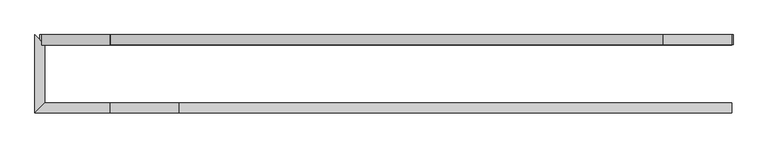
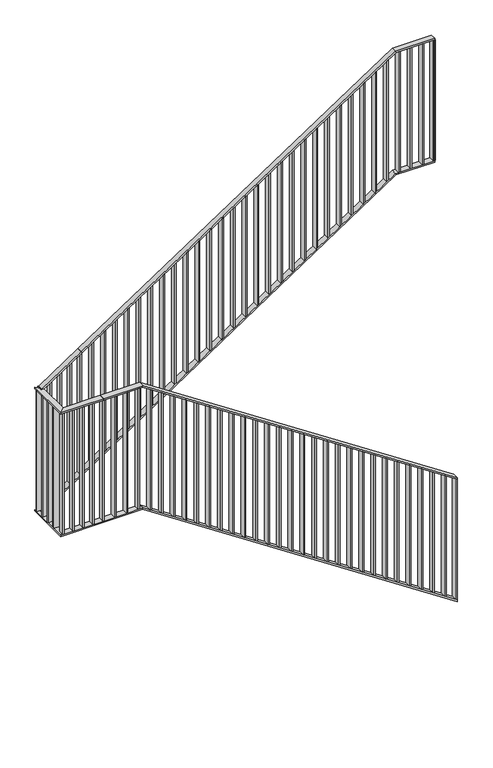
"""IFC4 building model written with IfcOpenShell, lengths in millimetres: railing geometry."""

from ifc_helpers import new_model, si_unit, frame, origin, place, context, project, spatial, polyline, outline, extrude, faceted_brep, source, transform, mapped, element, save


def railing_6db340ca(model_context):
    return source(origin(), model_context, "Body", "SolidModel", [
        faceted_brep([(14849.8504274, 8559.6, 1180.5555556), (14849.8504274, 8519.6, 1180.5555556), (14849.8504274, 8519.6, 1168.578147), (14849.8504274, 8559.6, 1168.578147), (12658.7393162, 8559.6, 2625.0), (12658.7393162, 8519.6, 2625.0), (12655.7397396, 8519.6, 2615.0), (12655.7397396, 8559.6, 2615.0), (12384.8504274, 8559.6, 2625.0), (12384.8504274, 8559.6, 2615.0), (12384.8504274, 8519.6, 2615.0), (12384.8504274, 8519.6, 2625.0)], [[[0, 1, 2, 3]], [[1, 0, 4, 5]], [[2, 1, 5, 6]], [[3, 2, 6, 7]], [[0, 3, 7, 4]], [[8, 9, 10, 11]], [[5, 4, 8, 11]], [[6, 5, 11, 10]], [[7, 6, 10, 9]], [[4, 7, 9, 8]]]),
        faceted_brep([(12384.8504274, 8559.6, 2625.0), (12384.8504274, 8519.6, 2625.0), (12384.8504274, 8519.6, 2615.0), (12384.8504274, 8559.6, 2615.0), (12125.5615385, 8559.6, 2625.0), (12125.5615385, 8559.6, 2615.0), (12085.5615385, 8519.6, 2615.0), (12085.5615385, 8519.6, 2625.0)], [[[0, 1, 2, 3]], [[4, 5, 6, 7]], [[1, 0, 4, 7]], [[2, 1, 7, 6]], [[3, 2, 6, 5]], [[0, 3, 5, 4]]]),
        faceted_brep([(14849.8504274, 8559.6, 280.5555556), (14849.8504274, 8519.6, 280.5555556), (14849.8504274, 8519.6, 268.578147), (14849.8504274, 8559.6, 268.578147), (12658.7393162, 8559.6, 1725.0), (12658.7393162, 8519.6, 1725.0), (12655.7397396, 8519.6, 1715.0), (12655.7397396, 8559.6, 1715.0), (12384.8504274, 8559.6, 1725.0), (12384.8504274, 8559.6, 1715.0), (12384.8504274, 8519.6, 1715.0), (12384.8504274, 8519.6, 1725.0)], [[[0, 1, 2, 3]], [[1, 0, 4, 5]], [[2, 1, 5, 6]], [[3, 2, 6, 7]], [[0, 3, 7, 4]], [[8, 9, 10, 11]], [[5, 4, 8, 11]], [[6, 5, 11, 10]], [[7, 6, 10, 9]], [[4, 7, 9, 8]]]),
        faceted_brep([(12384.8504274, 8559.6, 1725.0), (12384.8504274, 8519.6, 1725.0), (12384.8504274, 8519.6, 1715.0), (12384.8504274, 8559.6, 1715.0), (12125.5615385, 8559.6, 1725.0), (12125.5615385, 8559.6, 1715.0), (12085.5615385, 8519.6, 1715.0), (12085.5615385, 8519.6, 1725.0)], [[[0, 1, 2, 3]], [[4, 5, 6, 7]], [[1, 0, 4, 7]], [[2, 1, 7, 6]], [[3, 2, 6, 5]], [[0, 3, 5, 4]]]),
        faceted_brep([(12125.5615385, 8559.6, 2625.0), (12085.5615385, 8519.6, 2625.0), (12085.5615385, 8519.6, 2615.0), (12125.5615385, 8559.6, 2615.0), (12125.5615385, 8790.4, 2625.0), (12125.5615385, 8790.4, 2615.0), (12085.5615385, 8830.4, 2615.0), (12085.5615385, 8830.4, 2625.0)], [[[0, 1, 2, 3]], [[4, 5, 6, 7]], [[1, 0, 4, 7]], [[2, 1, 7, 6]], [[3, 2, 6, 5]], [[0, 3, 5, 4]]]),
        faceted_brep([(12125.5615385, 8559.6, 1725.0), (12085.5615385, 8519.6, 1725.0), (12085.5615385, 8519.6, 1715.0), (12125.5615385, 8559.6, 1715.0), (12125.5615385, 8790.4, 1725.0), (12125.5615385, 8790.4, 1715.0), (12085.5615385, 8830.4, 1715.0), (12085.5615385, 8830.4, 1725.0)], [[[0, 1, 2, 3]], [[4, 5, 6, 7]], [[1, 0, 4, 7]], [[2, 1, 7, 6]], [[3, 2, 6, 5]], [[0, 3, 5, 4]]]),
        faceted_brep([(12105.5615385, 8790.4, 2625.0), (12105.5615385, 8830.4, 2625.0), (12105.5615385, 8830.4, 2615.0), (12105.5615385, 8790.4, 2615.0), (12110.9615385, 8790.4, 2625.0), (12110.9615385, 8830.4, 2625.0), (12113.9611151, 8830.4, 2615.0), (12113.9611151, 8790.4, 2615.0), (12384.8504274, 8790.4, 2805.5555556), (12390.3543659, 8790.4, 2797.2065041), (12390.3543659, 8830.4, 2797.2065041), (12384.8504274, 8830.4, 2805.5555556)], [[[0, 1, 2, 3]], [[1, 0, 4, 5]], [[2, 1, 5, 6]], [[3, 2, 6, 7]], [[0, 3, 7, 4]], [[8, 9, 10, 11]], [[5, 4, 8, 11]], [[6, 5, 11, 10]], [[7, 6, 10, 9]], [[4, 7, 9, 8]]]),
        faceted_brep([(12384.8504274, 8790.4, 2805.5555556), (12384.8504274, 8830.4, 2805.5555556), (12390.3543659, 8830.4, 2797.2065041), (12390.3543659, 8790.4, 2797.2065041), (14575.9615385, 8790.4, 4250.0), (14575.9615385, 8830.4, 4250.0), (14578.9611151, 8830.4, 4240.0), (14578.9611151, 8790.4, 4240.0), (14849.8504274, 8790.4, 4250.0), (14849.8504274, 8790.4, 4240.0), (14849.8504274, 8830.4, 4240.0), (14849.8504274, 8830.4, 4250.0)], [[[0, 1, 2, 3]], [[1, 0, 4, 5]], [[2, 1, 5, 6]], [[3, 2, 6, 7]], [[0, 3, 7, 4]], [[8, 9, 10, 11]], [[5, 4, 8, 11]], [[6, 5, 11, 10]], [[7, 6, 10, 9]], [[4, 7, 9, 8]]]),
        faceted_brep([(12105.5615385, 8790.4, 1725.0), (12105.5615385, 8830.4, 1725.0), (12105.5615385, 8830.4, 1715.0), (12105.5615385, 8790.4, 1715.0), (12110.9615385, 8790.4, 1725.0), (12110.9615385, 8830.4, 1725.0), (12113.9611151, 8830.4, 1715.0), (12113.9611151, 8790.4, 1715.0), (12384.8504274, 8790.4, 1905.5555556), (12390.3543659, 8790.4, 1897.2065041), (12390.3543659, 8830.4, 1897.2065041), (12384.8504274, 8830.4, 1905.5555556)], [[[0, 1, 2, 3]], [[1, 0, 4, 5]], [[2, 1, 5, 6]], [[3, 2, 6, 7]], [[0, 3, 7, 4]], [[8, 9, 10, 11]], [[5, 4, 8, 11]], [[6, 5, 11, 10]], [[7, 6, 10, 9]], [[4, 7, 9, 8]]]),
        faceted_brep([(12384.8504274, 8790.4, 1905.5555556), (12384.8504274, 8830.4, 1905.5555556), (12390.3543659, 8830.4, 1897.2065041), (12390.3543659, 8790.4, 1897.2065041), (14575.9615385, 8790.4, 3350.0), (14575.9615385, 8830.4, 3350.0), (14578.9611151, 8830.4, 3340.0), (14578.9611151, 8790.4, 3340.0), (14849.8504274, 8790.4, 3350.0), (14849.8504274, 8790.4, 3340.0), (14849.8504274, 8830.4, 3340.0), (14849.8504274, 8830.4, 3350.0)], [[[0, 1, 2, 3]], [[1, 0, 4, 5]], [[2, 1, 5, 6]], [[3, 2, 6, 7]], [[0, 3, 7, 4]], [[8, 9, 10, 11]], [[5, 4, 8, 11]], [[6, 5, 11, 10]], [[7, 6, 10, 9]], [[4, 7, 9, 8]]]),
        extrude(outline(polyline([(14844.8504274, 8790.4), (14844.8504274, 8830.4), (14854.8504274, 8830.4), (14854.8504274, 8790.4), (14844.8504274, 8790.4)])), frame((0.0, 0.0, 3350.0), z_axis=(0.0, 0.0, 1.0), x_axis=(1.0, 0.0, 0.0)), (0.0, 0.0, 1.0), 890.0),
        extrude(outline(polyline([(14762.6837607, 8790.4), (14762.6837607, 8830.4), (14772.6837607, 8830.4), (14772.6837607, 8790.4), (14762.6837607, 8790.4)])), frame((0.0, 0.0, 3350.0), z_axis=(0.0, 0.0, 1.0), x_axis=(1.0, 0.0, 0.0)), (0.0, 0.0, 1.0), 890.0),
        extrude(outline(polyline([(14680.517094, 8790.4), (14680.517094, 8830.4), (14690.517094, 8830.4), (14690.517094, 8790.4), (14680.517094, 8790.4)])), frame((0.0, 0.0, 3350.0), z_axis=(0.0, 0.0, 1.0), x_axis=(1.0, 0.0, 0.0)), (0.0, 0.0, 1.0), 890.0),
        extrude(outline(polyline([(14598.3504274, 8790.4), (14598.3504274, 8830.4), (14608.3504274, 8830.4), (14608.3504274, 8790.4), (14598.3504274, 8790.4)])), frame((0.0, 0.0, 3350.0), z_axis=(0.0, 0.0, 1.0), x_axis=(1.0, 0.0, 0.0)), (0.0, 0.0, 1.0), 890.0),
        extrude(outline(polyline([(4200.5927428, 14516.1837607), (3310.5927428, 14516.1837607), (3317.1850349, 14526.1837607), (4207.1850349, 14526.1837607), (4200.5927428, 14516.1837607)])), frame((0.0, 8790.4, 0.0), z_axis=(0.0, 1.0, 0.0), x_axis=(0.0, 0.0, 1.0)), (0.0, 0.0, 1.0), 40.0),
        extrude(outline(polyline([(4146.4260762, 14434.017094), (3256.4260762, 14434.017094), (3263.0183683, 14444.017094), (4153.0183683, 14444.017094), (4146.4260762, 14434.017094)])), frame((0.0, 8790.4, 0.0), z_axis=(0.0, 1.0, 0.0), x_axis=(0.0, 0.0, 1.0)), (0.0, 0.0, 1.0), 40.0),
        extrude(outline(polyline([(4092.2594095, 14351.8504274), (3202.2594095, 14351.8504274), (3208.8517016, 14361.8504274), (4098.8517016, 14361.8504274), (4092.2594095, 14351.8504274)])), frame((0.0, 8790.4, 0.0), z_axis=(0.0, 1.0, 0.0), x_axis=(0.0, 0.0, 1.0)), (0.0, 0.0, 1.0), 40.0),
        extrude(outline(polyline([(4038.0927428, 14269.6837607), (3148.0927428, 14269.6837607), (3154.6850349, 14279.6837607), (4044.6850349, 14279.6837607), (4038.0927428, 14269.6837607)])), frame((0.0, 8790.4, 0.0), z_axis=(0.0, 1.0, 0.0), x_axis=(0.0, 0.0, 1.0)), (0.0, 0.0, 1.0), 40.0),
        extrude(outline(polyline([(3983.9260762, 14187.517094), (3093.9260762, 14187.517094), (3100.5183683, 14197.517094), (3990.5183683, 14197.517094), (3983.9260762, 14187.517094)])), frame((0.0, 8790.4, 0.0), z_axis=(0.0, 1.0, 0.0), x_axis=(0.0, 0.0, 1.0)), (0.0, 0.0, 1.0), 40.0),
        extrude(outline(polyline([(3929.7594095, 14105.3504274), (3039.7594095, 14105.3504274), (3046.3517016, 14115.3504274), (3936.3517016, 14115.3504274), (3929.7594095, 14105.3504274)])), frame((0.0, 8790.4, 0.0), z_axis=(0.0, 1.0, 0.0), x_axis=(0.0, 0.0, 1.0)), (0.0, 0.0, 1.0), 40.0),
        extrude(outline(polyline([(3875.5927428, 14023.1837607), (2985.5927428, 14023.1837607), (2992.1850349, 14033.1837607), (3882.1850349, 14033.1837607), (3875.5927428, 14023.1837607)])), frame((0.0, 8790.4, 0.0), z_axis=(0.0, 1.0, 0.0), x_axis=(0.0, 0.0, 1.0)), (0.0, 0.0, 1.0), 40.0),
        extrude(outline(polyline([(3821.4260762, 13941.017094), (2931.4260762, 13941.017094), (2938.0183683, 13951.017094), (3828.0183683, 13951.017094), (3821.4260762, 13941.017094)])), frame((0.0, 8790.4, 0.0), z_axis=(0.0, 1.0, 0.0), x_axis=(0.0, 0.0, 1.0)), (0.0, 0.0, 1.0), 40.0),
        extrude(outline(polyline([(3767.2594095, 13858.8504274), (2877.2594095, 13858.8504274), (2883.8517016, 13868.8504274), (3773.8517016, 13868.8504274), (3767.2594095, 13858.8504274)])), frame((0.0, 8790.4, 0.0), z_axis=(0.0, 1.0, 0.0), x_axis=(0.0, 0.0, 1.0)), (0.0, 0.0, 1.0), 40.0),
        extrude(outline(polyline([(3713.0927428, 13776.6837607), (2823.0927428, 13776.6837607), (2829.6850349, 13786.6837607), (3719.6850349, 13786.6837607), (3713.0927428, 13776.6837607)])), frame((0.0, 8790.4, 0.0), z_axis=(0.0, 1.0, 0.0), x_axis=(0.0, 0.0, 1.0)), (0.0, 0.0, 1.0), 40.0),
        extrude(outline(polyline([(3658.9260762, 13694.517094), (2768.9260762, 13694.517094), (2775.5183683, 13704.517094), (3665.5183683, 13704.517094), (3658.9260762, 13694.517094)])), frame((0.0, 8790.4, 0.0), z_axis=(0.0, 1.0, 0.0), x_axis=(0.0, 0.0, 1.0)), (0.0, 0.0, 1.0), 40.0),
        extrude(outline(polyline([(3604.7594095, 13612.3504274), (2714.7594095, 13612.3504274), (2721.3517016, 13622.3504274), (3611.3517016, 13622.3504274), (3604.7594095, 13612.3504274)])), frame((0.0, 8790.4, 0.0), z_axis=(0.0, 1.0, 0.0), x_axis=(0.0, 0.0, 1.0)), (0.0, 0.0, 1.0), 40.0),
        extrude(outline(polyline([(3550.5927428, 13530.1837607), (2660.5927428, 13530.1837607), (2667.1850349, 13540.1837607), (3557.1850349, 13540.1837607), (3550.5927428, 13530.1837607)])), frame((0.0, 8790.4, 0.0), z_axis=(0.0, 1.0, 0.0), x_axis=(0.0, 0.0, 1.0)), (0.0, 0.0, 1.0), 40.0),
        extrude(outline(polyline([(3496.4260762, 13448.017094), (2606.4260762, 13448.017094), (2613.0183683, 13458.017094), (3503.0183683, 13458.017094), (3496.4260762, 13448.017094)])), frame((0.0, 8790.4, 0.0), z_axis=(0.0, 1.0, 0.0), x_axis=(0.0, 0.0, 1.0)), (0.0, 0.0, 1.0), 40.0),
        extrude(outline(polyline([(3442.2594095, 13365.8504274), (2552.2594095, 13365.8504274), (2558.8517016, 13375.8504274), (3448.8517016, 13375.8504274), (3442.2594095, 13365.8504274)])), frame((0.0, 8790.4, 0.0), z_axis=(0.0, 1.0, 0.0), x_axis=(0.0, 0.0, 1.0)), (0.0, 0.0, 1.0), 40.0),
        extrude(outline(polyline([(3388.0927428, 13283.6837607), (2498.0927428, 13283.6837607), (2504.6850349, 13293.6837607), (3394.6850349, 13293.6837607), (3388.0927428, 13283.6837607)])), frame((0.0, 8790.4, 0.0), z_axis=(0.0, 1.0, 0.0), x_axis=(0.0, 0.0, 1.0)), (0.0, 0.0, 1.0), 40.0),
        extrude(outline(polyline([(3333.9260762, 13201.517094), (2443.9260762, 13201.517094), (2450.5183683, 13211.517094), (3340.5183683, 13211.517094), (3333.9260762, 13201.517094)])), frame((0.0, 8790.4, 0.0), z_axis=(0.0, 1.0, 0.0), x_axis=(0.0, 0.0, 1.0)), (0.0, 0.0, 1.0), 40.0),
        extrude(outline(polyline([(3279.7594095, 13119.3504274), (2389.7594095, 13119.3504274), (2396.3517016, 13129.3504274), (3286.3517016, 13129.3504274), (3279.7594095, 13119.3504274)])), frame((0.0, 8790.4, 0.0), z_axis=(0.0, 1.0, 0.0), x_axis=(0.0, 0.0, 1.0)), (0.0, 0.0, 1.0), 40.0),
        extrude(outline(polyline([(3225.5927428, 13037.1837607), (2335.5927428, 13037.1837607), (2342.1850349, 13047.1837607), (3232.1850349, 13047.1837607), (3225.5927428, 13037.1837607)])), frame((0.0, 8790.4, 0.0), z_axis=(0.0, 1.0, 0.0), x_axis=(0.0, 0.0, 1.0)), (0.0, 0.0, 1.0), 40.0),
        extrude(outline(polyline([(3171.4260762, 12955.017094), (2281.4260762, 12955.017094), (2288.0183683, 12965.017094), (3178.0183683, 12965.017094), (3171.4260762, 12955.017094)])), frame((0.0, 8790.4, 0.0), z_axis=(0.0, 1.0, 0.0), x_axis=(0.0, 0.0, 1.0)), (0.0, 0.0, 1.0), 40.0),
        extrude(outline(polyline([(3117.2594095, 12872.8504274), (2227.2594095, 12872.8504274), (2233.8517016, 12882.8504274), (3123.8517016, 12882.8504274), (3117.2594095, 12872.8504274)])), frame((0.0, 8790.4, 0.0), z_axis=(0.0, 1.0, 0.0), x_axis=(0.0, 0.0, 1.0)), (0.0, 0.0, 1.0), 40.0),
        extrude(outline(polyline([(3063.0927428, 12790.6837607), (2173.0927428, 12790.6837607), (2179.6850349, 12800.6837607), (3069.6850349, 12800.6837607), (3063.0927428, 12790.6837607)])), frame((0.0, 8790.4, 0.0), z_axis=(0.0, 1.0, 0.0), x_axis=(0.0, 0.0, 1.0)), (0.0, 0.0, 1.0), 40.0),
        extrude(outline(polyline([(3008.9260762, 12708.517094), (2118.9260762, 12708.517094), (2125.5183683, 12718.517094), (3015.5183683, 12718.517094), (3008.9260762, 12708.517094)])), frame((0.0, 8790.4, 0.0), z_axis=(0.0, 1.0, 0.0), x_axis=(0.0, 0.0, 1.0)), (0.0, 0.0, 1.0), 40.0),
        extrude(outline(polyline([(2954.7594095, 12626.3504274), (2064.7594095, 12626.3504274), (2071.3517016, 12636.3504274), (2961.3517016, 12636.3504274), (2954.7594095, 12626.3504274)])), frame((0.0, 8790.4, 0.0), z_axis=(0.0, 1.0, 0.0), x_axis=(0.0, 0.0, 1.0)), (0.0, 0.0, 1.0), 40.0),
        extrude(outline(polyline([(2900.5927428, 12544.1837607), (2010.5927428, 12544.1837607), (2017.1850349, 12554.1837607), (2907.1850349, 12554.1837607), (2900.5927428, 12544.1837607)])), frame((0.0, 8790.4, 0.0), z_axis=(0.0, 1.0, 0.0), x_axis=(0.0, 0.0, 1.0)), (0.0, 0.0, 1.0), 40.0),
        extrude(outline(polyline([(2846.4260762, 12462.017094), (1956.4260762, 12462.017094), (1963.0183683, 12472.017094), (2853.0183683, 12472.017094), (2846.4260762, 12462.017094)])), frame((0.0, 8790.4, 0.0), z_axis=(0.0, 1.0, 0.0), x_axis=(0.0, 0.0, 1.0)), (0.0, 0.0, 1.0), 40.0),
        extrude(outline(polyline([(2792.2594095, 12379.8504274), (1902.2594095, 12379.8504274), (1908.8517016, 12389.8504274), (2798.8517016, 12389.8504274), (2792.2594095, 12379.8504274)])), frame((0.0, 8790.4, 0.0), z_axis=(0.0, 1.0, 0.0), x_axis=(0.0, 0.0, 1.0)), (0.0, 0.0, 1.0), 40.0),
        extrude(outline(polyline([(2746.2305612, 12310.0282051), (1856.2305612, 12310.0282051), (1862.8228533, 12320.0282051), (2752.8228533, 12320.0282051), (2746.2305612, 12310.0282051)])), frame((0.0, 8790.4, 0.0), z_axis=(0.0, 1.0, 0.0), x_axis=(0.0, 0.0, 1.0)), (0.0, 0.0, 1.0), 40.0),
        extrude(outline(polyline([(2700.2017129, 12240.2059829), (1810.2017129, 12240.2059829), (1816.794005, 12250.2059829), (2706.794005, 12250.2059829), (2700.2017129, 12240.2059829)])), frame((0.0, 8790.4, 0.0), z_axis=(0.0, 1.0, 0.0), x_axis=(0.0, 0.0, 1.0)), (0.0, 0.0, 1.0), 40.0),
        extrude(outline(polyline([(2654.1728645, 12170.3837607), (1764.1728645, 12170.3837607), (1770.7651566, 12180.3837607), (2660.7651566, 12180.3837607), (2654.1728645, 12170.3837607)])), frame((0.0, 8790.4, 0.0), z_axis=(0.0, 1.0, 0.0), x_axis=(0.0, 0.0, 1.0)), (0.0, 0.0, 1.0), 40.0),
        extrude(outline(polyline([(12125.5615385, 8805.4), (12085.5615385, 8805.4), (12085.5615385, 8815.4), (12125.5615385, 8815.4), (12125.5615385, 8805.4)])), frame((0.0, 0.0, 1725.0), z_axis=(0.0, 0.0, 1.0), x_axis=(1.0, 0.0, 0.0)), (0.0, 0.0, 1.0), 890.0),
        extrude(outline(polyline([(12125.5615385, 8737.7), (12085.5615385, 8737.7), (12085.5615385, 8747.7), (12125.5615385, 8747.7), (12125.5615385, 8737.7)])), frame((0.0, 0.0, 1725.0), z_axis=(0.0, 0.0, 1.0), x_axis=(1.0, 0.0, 0.0)), (0.0, 0.0, 1.0), 890.0),
        extrude(outline(polyline([(12125.5615385, 8670.0), (12085.5615385, 8670.0), (12085.5615385, 8680.0), (12125.5615385, 8680.0), (12125.5615385, 8670.0)])), frame((0.0, 0.0, 1725.0), z_axis=(0.0, 0.0, 1.0), x_axis=(1.0, 0.0, 0.0)), (0.0, 0.0, 1.0), 890.0),
        extrude(outline(polyline([(12125.5615385, 8602.3), (12085.5615385, 8602.3), (12085.5615385, 8612.3), (12125.5615385, 8612.3), (12125.5615385, 8602.3)])), frame((0.0, 0.0, 1725.0), z_axis=(0.0, 0.0, 1.0), x_axis=(1.0, 0.0, 0.0)), (0.0, 0.0, 1.0), 890.0),
        extrude(outline(polyline([(12110.5615385, 8559.6), (12110.5615385, 8519.6), (12100.5615385, 8519.6), (12100.5615385, 8559.6), (12110.5615385, 8559.6)])), frame((0.0, 0.0, 1725.0), z_axis=(0.0, 0.0, 1.0), x_axis=(1.0, 0.0, 0.0)), (0.0, 0.0, 1.0), 890.0),
        extrude(outline(polyline([(12180.3837607, 8559.6), (12180.3837607, 8519.6), (12170.3837607, 8519.6), (12170.3837607, 8559.6), (12180.3837607, 8559.6)])), frame((0.0, 0.0, 1725.0), z_axis=(0.0, 0.0, 1.0), x_axis=(1.0, 0.0, 0.0)), (0.0, 0.0, 1.0), 890.0),
        extrude(outline(polyline([(12250.2059829, 8559.6), (12250.2059829, 8519.6), (12240.2059829, 8519.6), (12240.2059829, 8559.6), (12250.2059829, 8559.6)])), frame((0.0, 0.0, 1725.0), z_axis=(0.0, 0.0, 1.0), x_axis=(1.0, 0.0, 0.0)), (0.0, 0.0, 1.0), 890.0),
        extrude(outline(polyline([(12320.0282051, 8559.6), (12320.0282051, 8519.6), (12310.0282051, 8519.6), (12310.0282051, 8559.6), (12320.0282051, 8559.6)])), frame((0.0, 0.0, 1725.0), z_axis=(0.0, 0.0, 1.0), x_axis=(1.0, 0.0, 0.0)), (0.0, 0.0, 1.0), 890.0),
        extrude(outline(polyline([(12389.8504274, 8559.6), (12389.8504274, 8519.6), (12379.8504274, 8519.6), (12379.8504274, 8559.6), (12389.8504274, 8559.6)])), frame((0.0, 0.0, 1725.0), z_axis=(0.0, 0.0, 1.0), x_axis=(1.0, 0.0, 0.0)), (0.0, 0.0, 1.0), 890.0),
        extrude(outline(polyline([(12472.017094, 8559.6), (12472.017094, 8519.6), (12462.017094, 8519.6), (12462.017094, 8559.6), (12472.017094, 8559.6)])), frame((0.0, 0.0, 1725.0), z_axis=(0.0, 0.0, 1.0), x_axis=(1.0, 0.0, 0.0)), (0.0, 0.0, 1.0), 890.0),
        extrude(outline(polyline([(12554.1837607, 8559.6), (12554.1837607, 8519.6), (12544.1837607, 8519.6), (12544.1837607, 8559.6), (12554.1837607, 8559.6)])), frame((0.0, 0.0, 1725.0), z_axis=(0.0, 0.0, 1.0), x_axis=(1.0, 0.0, 0.0)), (0.0, 0.0, 1.0), 890.0),
        extrude(outline(polyline([(12636.3504274, 8559.6), (12636.3504274, 8519.6), (12626.3504274, 8519.6), (12626.3504274, 8559.6), (12636.3504274, 8559.6)])), frame((0.0, 0.0, 1725.0), z_axis=(0.0, 0.0, 1.0), x_axis=(1.0, 0.0, 0.0)), (0.0, 0.0, 1.0), 890.0),
        extrude(outline(polyline([(1685.5927428, 12718.517094), (2575.5927428, 12718.517094), (2582.1850349, 12708.517094), (1692.1850349, 12708.517094), (1685.5927428, 12718.517094)])), frame((0.0, 8519.6, 0.0), z_axis=(0.0, 1.0, 0.0), x_axis=(0.0, 0.0, 1.0)), (0.0, 0.0, 1.0), 40.0),
        extrude(outline(polyline([(1631.4260762, 12800.6837607), (2521.4260762, 12800.6837607), (2528.0183683, 12790.6837607), (1638.0183683, 12790.6837607), (1631.4260762, 12800.6837607)])), frame((0.0, 8519.6, 0.0), z_axis=(0.0, 1.0, 0.0), x_axis=(0.0, 0.0, 1.0)), (0.0, 0.0, 1.0), 40.0),
        extrude(outline(polyline([(1577.2594095, 12882.8504274), (2467.2594095, 12882.8504274), (2473.8517016, 12872.8504274), (1583.8517016, 12872.8504274), (1577.2594095, 12882.8504274)])), frame((0.0, 8519.6, 0.0), z_axis=(0.0, 1.0, 0.0), x_axis=(0.0, 0.0, 1.0)), (0.0, 0.0, 1.0), 40.0),
        extrude(outline(polyline([(1523.0927428, 12965.017094), (2413.0927428, 12965.017094), (2419.6850349, 12955.017094), (1529.6850349, 12955.017094), (1523.0927428, 12965.017094)])), frame((0.0, 8519.6, 0.0), z_axis=(0.0, 1.0, 0.0), x_axis=(0.0, 0.0, 1.0)), (0.0, 0.0, 1.0), 40.0),
        extrude(outline(polyline([(1468.9260762, 13047.1837607), (2358.9260762, 13047.1837607), (2365.5183683, 13037.1837607), (1475.5183683, 13037.1837607), (1468.9260762, 13047.1837607)])), frame((0.0, 8519.6, 0.0), z_axis=(0.0, 1.0, 0.0), x_axis=(0.0, 0.0, 1.0)), (0.0, 0.0, 1.0), 40.0),
        extrude(outline(polyline([(1414.7594095, 13129.3504274), (2304.7594095, 13129.3504274), (2311.3517016, 13119.3504274), (1421.3517016, 13119.3504274), (1414.7594095, 13129.3504274)])), frame((0.0, 8519.6, 0.0), z_axis=(0.0, 1.0, 0.0), x_axis=(0.0, 0.0, 1.0)), (0.0, 0.0, 1.0), 40.0),
        extrude(outline(polyline([(1360.5927428, 13211.517094), (2250.5927428, 13211.517094), (2257.1850349, 13201.517094), (1367.1850349, 13201.517094), (1360.5927428, 13211.517094)])), frame((0.0, 8519.6, 0.0), z_axis=(0.0, 1.0, 0.0), x_axis=(0.0, 0.0, 1.0)), (0.0, 0.0, 1.0), 40.0),
        extrude(outline(polyline([(1306.4260762, 13293.6837607), (2196.4260762, 13293.6837607), (2203.0183683, 13283.6837607), (1313.0183683, 13283.6837607), (1306.4260762, 13293.6837607)])), frame((0.0, 8519.6, 0.0), z_axis=(0.0, 1.0, 0.0), x_axis=(0.0, 0.0, 1.0)), (0.0, 0.0, 1.0), 40.0),
        extrude(outline(polyline([(1252.2594095, 13375.8504274), (2142.2594095, 13375.8504274), (2148.8517016, 13365.8504274), (1258.8517016, 13365.8504274), (1252.2594095, 13375.8504274)])), frame((0.0, 8519.6, 0.0), z_axis=(0.0, 1.0, 0.0), x_axis=(0.0, 0.0, 1.0)), (0.0, 0.0, 1.0), 40.0),
        extrude(outline(polyline([(1198.0927428, 13458.017094), (2088.0927428, 13458.017094), (2094.6850349, 13448.017094), (1204.6850349, 13448.017094), (1198.0927428, 13458.017094)])), frame((0.0, 8519.6, 0.0), z_axis=(0.0, 1.0, 0.0), x_axis=(0.0, 0.0, 1.0)), (0.0, 0.0, 1.0), 40.0),
        extrude(outline(polyline([(1143.9260762, 13540.1837607), (2033.9260762, 13540.1837607), (2040.5183683, 13530.1837607), (1150.5183683, 13530.1837607), (1143.9260762, 13540.1837607)])), frame((0.0, 8519.6, 0.0), z_axis=(0.0, 1.0, 0.0), x_axis=(0.0, 0.0, 1.0)), (0.0, 0.0, 1.0), 40.0),
        extrude(outline(polyline([(1089.7594095, 13622.3504274), (1979.7594095, 13622.3504274), (1986.3517016, 13612.3504274), (1096.3517016, 13612.3504274), (1089.7594095, 13622.3504274)])), frame((0.0, 8519.6, 0.0), z_axis=(0.0, 1.0, 0.0), x_axis=(0.0, 0.0, 1.0)), (0.0, 0.0, 1.0), 40.0),
        extrude(outline(polyline([(1035.5927428, 13704.517094), (1925.5927428, 13704.517094), (1932.1850349, 13694.517094), (1042.1850349, 13694.517094), (1035.5927428, 13704.517094)])), frame((0.0, 8519.6, 0.0), z_axis=(0.0, 1.0, 0.0), x_axis=(0.0, 0.0, 1.0)), (0.0, 0.0, 1.0), 40.0),
        extrude(outline(polyline([(981.4260762, 13786.6837607), (1871.4260762, 13786.6837607), (1878.0183683, 13776.6837607), (988.0183683, 13776.6837607), (981.4260762, 13786.6837607)])), frame((0.0, 8519.6, 0.0), z_axis=(0.0, 1.0, 0.0), x_axis=(0.0, 0.0, 1.0)), (0.0, 0.0, 1.0), 40.0),
        extrude(outline(polyline([(927.2594095, 13868.8504274), (1817.2594095, 13868.8504274), (1823.8517016, 13858.8504274), (933.8517016, 13858.8504274), (927.2594095, 13868.8504274)])), frame((0.0, 8519.6, 0.0), z_axis=(0.0, 1.0, 0.0), x_axis=(0.0, 0.0, 1.0)), (0.0, 0.0, 1.0), 40.0),
        extrude(outline(polyline([(873.0927428, 13951.017094), (1763.0927428, 13951.017094), (1769.6850349, 13941.017094), (879.6850349, 13941.017094), (873.0927428, 13951.017094)])), frame((0.0, 8519.6, 0.0), z_axis=(0.0, 1.0, 0.0), x_axis=(0.0, 0.0, 1.0)), (0.0, 0.0, 1.0), 40.0),
        extrude(outline(polyline([(818.9260762, 14033.1837607), (1708.9260762, 14033.1837607), (1715.5183683, 14023.1837607), (825.5183683, 14023.1837607), (818.9260762, 14033.1837607)])), frame((0.0, 8519.6, 0.0), z_axis=(0.0, 1.0, 0.0), x_axis=(0.0, 0.0, 1.0)), (0.0, 0.0, 1.0), 40.0),
        extrude(outline(polyline([(764.7594095, 14115.3504274), (1654.7594095, 14115.3504274), (1661.3517016, 14105.3504274), (771.3517016, 14105.3504274), (764.7594095, 14115.3504274)])), frame((0.0, 8519.6, 0.0), z_axis=(0.0, 1.0, 0.0), x_axis=(0.0, 0.0, 1.0)), (0.0, 0.0, 1.0), 40.0),
        extrude(outline(polyline([(710.5927428, 14197.517094), (1600.5927428, 14197.517094), (1607.1850349, 14187.517094), (717.1850349, 14187.517094), (710.5927428, 14197.517094)])), frame((0.0, 8519.6, 0.0), z_axis=(0.0, 1.0, 0.0), x_axis=(0.0, 0.0, 1.0)), (0.0, 0.0, 1.0), 40.0),
        extrude(outline(polyline([(656.4260762, 14279.6837607), (1546.4260762, 14279.6837607), (1553.0183683, 14269.6837607), (663.0183683, 14269.6837607), (656.4260762, 14279.6837607)])), frame((0.0, 8519.6, 0.0), z_axis=(0.0, 1.0, 0.0), x_axis=(0.0, 0.0, 1.0)), (0.0, 0.0, 1.0), 40.0),
        extrude(outline(polyline([(602.2594095, 14361.8504274), (1492.2594095, 14361.8504274), (1498.8517016, 14351.8504274), (608.8517016, 14351.8504274), (602.2594095, 14361.8504274)])), frame((0.0, 8519.6, 0.0), z_axis=(0.0, 1.0, 0.0), x_axis=(0.0, 0.0, 1.0)), (0.0, 0.0, 1.0), 40.0),
        extrude(outline(polyline([(548.0927428, 14444.017094), (1438.0927428, 14444.017094), (1444.6850349, 14434.017094), (554.6850349, 14434.017094), (548.0927428, 14444.017094)])), frame((0.0, 8519.6, 0.0), z_axis=(0.0, 1.0, 0.0), x_axis=(0.0, 0.0, 1.0)), (0.0, 0.0, 1.0), 40.0),
        extrude(outline(polyline([(493.9260762, 14526.1837607), (1383.9260762, 14526.1837607), (1390.5183683, 14516.1837607), (500.5183683, 14516.1837607), (493.9260762, 14526.1837607)])), frame((0.0, 8519.6, 0.0), z_axis=(0.0, 1.0, 0.0), x_axis=(0.0, 0.0, 1.0)), (0.0, 0.0, 1.0), 40.0),
        extrude(outline(polyline([(439.7594095, 14608.3504274), (1329.7594095, 14608.3504274), (1336.3517016, 14598.3504274), (446.3517016, 14598.3504274), (439.7594095, 14608.3504274)])), frame((0.0, 8519.6, 0.0), z_axis=(0.0, 1.0, 0.0), x_axis=(0.0, 0.0, 1.0)), (0.0, 0.0, 1.0), 40.0),
        extrude(outline(polyline([(385.5927428, 14690.517094), (1275.5927428, 14690.517094), (1282.1850349, 14680.517094), (392.1850349, 14680.517094), (385.5927428, 14690.517094)])), frame((0.0, 8519.6, 0.0), z_axis=(0.0, 1.0, 0.0), x_axis=(0.0, 0.0, 1.0)), (0.0, 0.0, 1.0), 40.0),
        extrude(outline(polyline([(331.4260762, 14772.6837607), (1221.4260762, 14772.6837607), (1228.0183683, 14762.6837607), (338.0183683, 14762.6837607), (331.4260762, 14772.6837607)])), frame((0.0, 8519.6, 0.0), z_axis=(0.0, 1.0, 0.0), x_axis=(0.0, 0.0, 1.0)), (0.0, 0.0, 1.0), 40.0),
        extrude(outline(polyline([(14839.8504274, 8790.4), (14839.8504274, 8830.4), (14849.8504274, 8830.4), (14849.8504274, 8790.4), (14839.8504274, 8790.4)])), frame((0.0, 0.0, 3350.0), z_axis=(0.0, 0.0, 1.0), x_axis=(1.0, 0.0, 0.0)), (0.0, 0.0, 1.0), 890.0),
        extrude(outline(polyline([(280.5555556, 14849.8504274), (1170.5555556, 14849.8504274), (1177.1478476, 14839.8504274), (287.1478476, 14839.8504274), (280.5555556, 14849.8504274)])), frame((0.0, 8519.6, 0.0), z_axis=(0.0, 1.0, 0.0), x_axis=(0.0, 0.0, 1.0)), (0.0, 0.0, 1.0), 40.0),
    ])


if __name__ == "__main__":
    model = new_model("IFC4")
    model_context = context("Model", 3, world=origin())
    ifc_project = project(units=[si_unit("LENGTHUNIT", "METRE", prefix="MILLI")], contexts=[model_context])
    site = spatial("IfcSite", under=ifc_project)
    building = spatial("IfcBuilding", under=site)
    placement = place(None, origin())
    railing_shape = railing_6db340ca(model_context)
    element("IfcRailing", 1, at=placement, inside=building, context=model_context, shape_type="MappedRepresentation", body=[
        mapped(railing_shape, transform((0.0, 0.0, 0.0), x_axis=(1.0, 0.0, 0.0), y_axis=(0.0, 1.0, 0.0), z_axis=(0.0, 0.0, 1.0))),
    ])
    save(model, "model.ifc")
